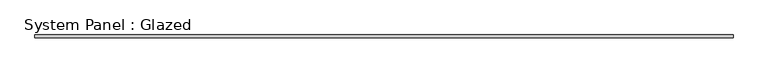
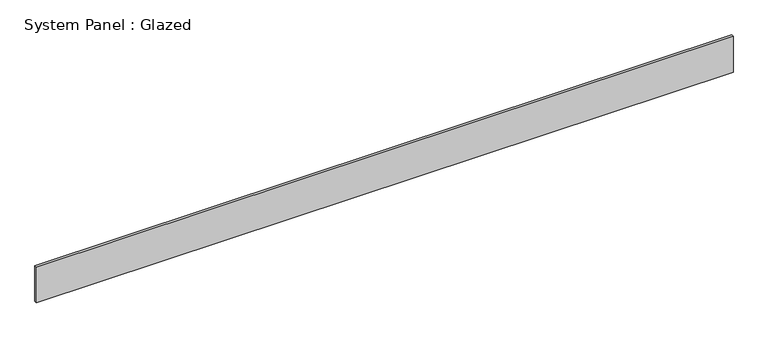
"""IFC4 building model written with IfcOpenShell, lengths in millimetres: plate geometry, System Panel : Glazed."""

from ifc_helpers import new_model, si_unit, origin, origin_with_axes, place, context, project, spatial, polyline, outline, extrude, source, transform, mapped, element, save


def system_panel_glazed_7e1432de(model_context):
    return source(origin(), model_context, "Body", "SweptSolid", [
        extrude(outline(polyline([(3222.5552687, 24.5), (-3222.5552687, 24.5), (-3222.5552687, 49.5), (3222.5552687, 49.5), (3222.5552687, 24.5)])), origin_with_axes(), (0.0, 0.0, 1.0), 350.0),
    ])


if __name__ == "__main__":
    model = new_model("IFC4")
    model_context = context("Model", 3, world=origin())
    ifc_project = project(units=[si_unit("LENGTHUNIT", "METRE", prefix="MILLI")], contexts=[model_context])
    site = spatial("IfcSite", under=ifc_project)
    building = spatial("IfcBuilding", under=site)
    placement = place(None, origin())
    system_panel_glazed_shape = system_panel_glazed_7e1432de(model_context)
    element("IfcPlate", 1, ObjectType="System Panel : Glazed", at=placement, inside=building, context=model_context, shape_type="MappedRepresentation", body=[
        mapped(system_panel_glazed_shape, transform((0.0, 0.0, 0.0), x_axis=(1.0, 0.0, 0.0), y_axis=(0.0, 1.0, 0.0), z_axis=(0.0, 0.0, 1.0))),
    ])
    save(model, "model.ifc")
